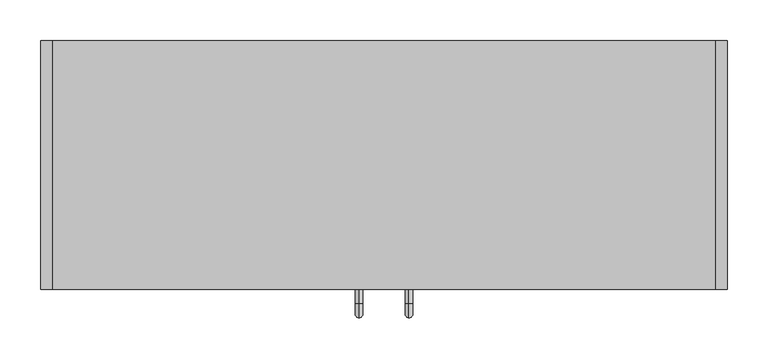
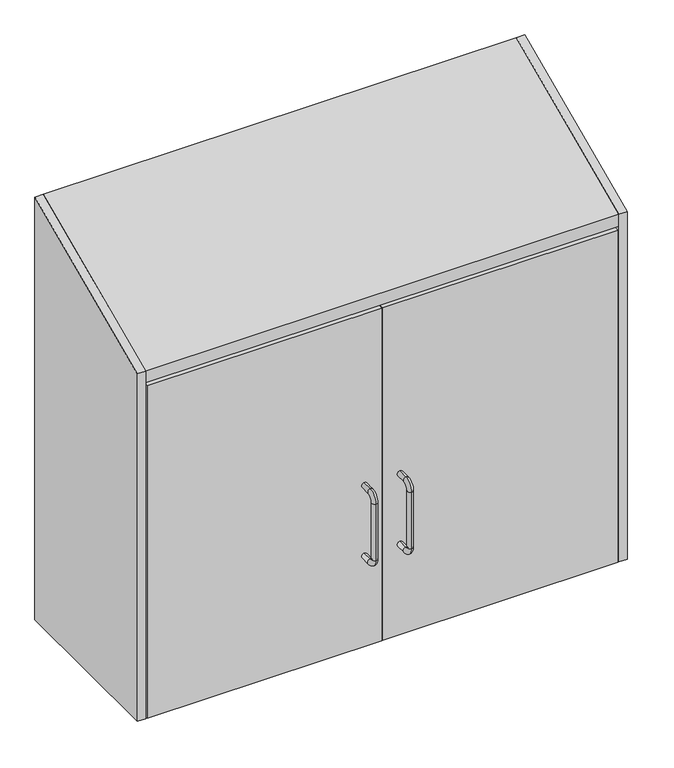
"""IFC4 building model written with IfcOpenShell, lengths in millimetres: furniture geometry."""

from ifc_helpers import new_model, si_unit, point, frame, frame_2d, origin, place, context, project, spatial, polyline, circle_curve, ellipse_curve, trimmed, segment, composite_curve, outline, extrude, source, transform, mapped, element, save
from ifc_brep_helpers import plane_surface, cylinder_surface, revolved_surface, advanced_brep


def furniture_c1abd6e0(model_context):
    return source(origin(), model_context, "Body", "SolidModel", [
        extrude(outline(composite_curve([segment(polyline([(-9.5501446, 1916.5975956), (-3.0000493, 1916.5975956), (-3.0000493, 1915.0928425), (-0.7048181, 1915.0928425)]), True, "CONTINUOUS"), segment(trimmed(circle_curve(frame_2d((-0.7048181, 1914.3880661)), 0.7047764), [point((-0.7048181, 1915.0928425))], [point((-4.17e-05, 1914.3880661))], False, "CARTESIAN"), True, "CONTINUOUS"), segment(polyline([(-4.17e-05, 1914.3880661), (-3.98e-05, 1872.397871), (-2.000049, 1872.397871)]), True, "CONTINUOUS"), segment(trimmed(circle_curve(frame_2d((-1.7912711, 1871.1890984)), 1.2266701), [point((-2.000049, 1872.397871))], [point((-3.0000508, 1871.3978352))], True, "CARTESIAN"), True, "CONTINUOUS"), segment(trimmed(circle_curve(frame_2d((1.2161345, 1870.6697679)), 4.2785863), [point((-3.0000508, 1871.3978352))], [point((-0.9918619, 1867.0049278))], True, "CARTESIAN"), True, "CONTINUOUS"), segment(trimmed(circle_curve(frame_2d((-2.0494915, 1865.2494705)), 2.0494415), [point((-0.9918619, 1867.0049278))], [point((-5e-05, 1865.2494705))], False, "CARTESIAN"), True, "CONTINUOUS"), segment(polyline([(-5e-05, 1865.2494705), (-5e-05, 1850.3480057), (-3.0000486, 1850.3480057), (-3.0000486, 1848.847855), (-9.3214678, 1848.847855)]), True, "CONTINUOUS"), segment(trimmed(circle_curve(frame_2d((-9.3214678, 1849.7764353)), 0.9285803), [point((-9.3214678, 1848.847855))], [point((-10.2500481, 1849.7764353))], False, "CARTESIAN"), True, "CONTINUOUS"), segment(polyline([(-10.2500481, 1849.7764353), (-10.2500481, 1853.1978317), (-8.2500502, 1855.197855), (-4.750053, 1855.197855)]), True, "CONTINUOUS"), segment(trimmed(circle_curve(frame_2d((-4.750053, 1855.9478599)), 0.7500049), [point((-4.750053, 1855.197855))], [point((-4.0000481, 1855.9478601))], True, "CARTESIAN"), True, "CONTINUOUS"), segment(polyline([(-4.0000481, 1855.9478601), (-4.0000488, 1857.948123)]), True, "CONTINUOUS"), segment(trimmed(circle_curve(frame_2d((-4.7497612, 1857.9481228)), 0.7497123), [point((-4.0000488, 1857.948123))], [point((-4.7497612, 1858.6978352))], True, "CARTESIAN"), True, "CONTINUOUS"), segment(polyline([(-4.7497612, 1858.6978352), (-8.0000496, 1858.6978352), (-8.0000496, 1860.6977616), (-4.7500515, 1860.6977616)]), True, "CONTINUOUS"), segment(trimmed(circle_curve(frame_2d((-6.3395379, 1862.9325715)), 2.7424154), [point((-4.7500515, 1860.6977616))], [point((-4.0000513, 1864.363531))], True, "CARTESIAN"), True, "CONTINUOUS"), segment(trimmed(circle_curve(frame_2d((-20.3670715, 1854.3525556)), 19.1859058), [point((-4.0000513, 1864.363531))], [point((-6.6449221, 1867.7615673))], True, "CARTESIAN"), True, "CONTINUOUS"), segment(trimmed(circle_curve(frame_2d((7.5122438, 1881.5956683)), 19.7941328), [point((-6.6449221, 1867.7615673))], [point((-7.864877, 1869.131646))], False, "CARTESIAN"), True, "CONTINUOUS"), segment(polyline([(-7.864877, 1869.131646), (-11.0905827, 1873.1112655)]), True, "CONTINUOUS"), segment(trimmed(circle_curve(frame_2d((-8.7599469, 1875.0003771)), 3.000101), [point((-11.0905827, 1873.1112655))], [point((-11.7600479, 1875.0003771))], False, "CARTESIAN"), True, "CONTINUOUS"), segment(polyline([(-11.7600479, 1875.0003771), (-11.7600479, 1881.644514)]), True, "CONTINUOUS"), segment(trimmed(circle_curve(frame_2d((-10.5537986, 1881.644514)), 1.2062492), [point((-11.7600479, 1881.644514))], [point((-9.3475494, 1881.644514))], False, "CARTESIAN"), True, "CONTINUOUS"), segment(polyline([(-9.3475494, 1881.644514), (-9.3475494, 1879.2618416)]), True, "CONTINUOUS"), segment(trimmed(circle_curve(frame_2d((-5.6738416, 1879.2864646)), 3.6737903), [point((-9.3475494, 1879.2618416))], [point((-2.0000514, 1879.2864646))], True, "CARTESIAN"), True, "CONTINUOUS"), segment(polyline([(-2.0000514, 1879.2864646), (-2.0000514, 1894.5858586)]), True, "CONTINUOUS"), segment(trimmed(circle_curve(frame_2d((-4.2278457, 1894.5858586)), 2.2277943), [point((-2.0000514, 1894.5858586))], [point((-2.5549945, 1896.0571289))], True, "CARTESIAN"), True, "CONTINUOUS"), segment(trimmed(circle_curve(frame_2d((-4.2278451, 1894.5858576)), 2.2277945), [point((-2.5549945, 1896.0571289))], [point((-3.2940588, 1896.6085073))], True, "CARTESIAN"), True, "CONTINUOUS"), segment(trimmed(circle_curve(frame_2d((-2.7842404, 1897.7128113)), 1.2163068), [point((-3.2940588, 1896.6085073))], [point((-4.0000431, 1897.7478252))], False, "CARTESIAN"), True, "CONTINUOUS"), segment(polyline([(-4.0000431, 1897.7478252), (-4.0000428, 1909.2481411)]), True, "CONTINUOUS"), segment(trimmed(circle_curve(frame_2d((-4.9997396, 1909.248141)), 0.9996968), [point((-4.0000428, 1909.2481411))], [point((-4.9997396, 1910.2478379))], True, "CARTESIAN"), True, "CONTINUOUS"), segment(polyline([(-4.9997396, 1910.2478379), (-8.2500476, 1910.2478379), (-10.2500485, 1912.2478611), (-10.2500489, 1915.8478352), (-9.5501446, 1916.5975956)]), True, "CONTINUOUS")], self_intersect=False)), frame((19.304, 0.0, 0.0), z_axis=(1.0, 0.0, 0.0), x_axis=(0.0, 1.0, 0.0)), (0.0, 0.0, 1.0), 774.192),
        extrude(outline(polyline([(-304.8, 1422.4), (-304.8, 2053.1099452), (0.0, 2189.2531194), (0.0, 1422.4), (-304.8, 1422.4)])), frame((812.8, 0.0, 0.0), z_axis=(1.0, 0.0, 0.0), x_axis=(0.0, 1.0, 0.0)), (0.0, 0.0, 1.0), 13.97),
        extrude(outline(polyline([(-304.8, 1422.4), (-304.8, 2053.1099452), (0.0, 2189.2531194), (0.0, 1422.4), (-304.8, 1422.4)])), frame((-13.97, 0.0, 0.0), z_axis=(1.0, 0.0, 0.0), x_axis=(0.0, 1.0, 0.0)), (0.0, 0.0, 1.0), 13.97),
        extrude(outline(polyline([(-304.6500092, 2032.0), (-304.6500092, 2053.1769407), (0.0, 2189.2665185), (0.0, 2169.6484062), (-285.1864694, 2032.0), (-304.6500092, 2032.0)])), frame((0.0, 0.0, 0.0), z_axis=(1.0, 0.0, 0.0), x_axis=(0.0, 1.0, 0.0)), (0.0, 0.0, 1.0), 812.8),
        advanced_brep(
        [(790.1672031, -15.7352068, 1894.3877238), (790.1672031, -8.4982509, 1894.3877238), (784.4499136, -8.4982509, 1894.3877238), (784.4499136, -23.4902086, 1894.3877238), (793.1428423, -23.4902086, 1894.3877238), (793.1428423, -21.5752277, 1894.3877238), (790.160055, -8.2962203, 1880.3877063), (784.4570616, -8.2962203, 1880.3877063), (784.4499136, -23.4902086, 1880.3877063), (784.4499136, -15.5720146, 1880.3877063), (790.1672031, -15.5720146, 1880.3877063), (790.1672031, -15.7352068, 1880.3877063), (793.1428423, -21.5752277, 1880.3877063), (793.1428423, -23.4902086, 1880.3877063), (784.4499136, -8.4982509, 1881.5343477), (784.4499136, -9.5295752, 1887.3877151), (784.4499136, -14.3245254, 1887.3877151), (790.1672031, -8.4982509, 1881.5343477), (790.1672031, -14.3245254, 1887.3877151), (790.1672031, -9.5295752, 1887.3877151)],
        [
            (0, 1),
            (1, 2, circle_curve(frame((787.3085583, -8.4982509, 1894.3877238), z_axis=(0.0, 0.0, 1.0), x_axis=(-1.0, 0.0, 0.0)), 2.8586447)),
            (2, 3),
            (3, 4),
            (4, 5),
            (5, 0),
            (6, 7),
            (7, 6, circle_curve(frame((787.3085583, -8.4982509, 1880.3877063), z_axis=(0.0, 0.0, -1.0), x_axis=(-1.0, 0.0, 0.0)), 2.8586447)),
            (8, 9),
            (9, 10),
            (10, 11),
            (11, 12),
            (12, 13),
            (13, 8),
            (5, 12),
            (11, 0),
            (2, 14),
            (14, 15),
            (15, 16),
            (16, 9),
            (8, 3),
            (1, 17),
            (17, 6, ellipse_curve(frame((787.3085583, -8.4982509, 1881.5343477), z_axis=(0.0, 0.9848302513804711, 0.17352053470952136), x_axis=(0.0, -0.17352053470952136, 0.984830251380471)), 16.4743886, 2.8586447)),
            (7, 14, ellipse_curve(frame((787.3085583, -8.4982509, 1881.5343477), z_axis=(0.0, 0.9848302513804711, 0.17352053470952136), x_axis=(0.0, -0.17352053470952136, 0.984830251380471)), 16.4743886, 2.8586447)),
            (10, 18),
            (18, 19),
            (19, 17),
            (4, 13),
            (18, 16),
            (15, 19),
        ],
        [
            plane_surface(frame((793.0500427, -21.3930983, 1894.3877238), z_axis=(0.0, 0.0, 1.0), x_axis=(0.45399049973954764, -0.8910065241883675, 0.0))),
            plane_surface(frame((793.0500427, -21.3930983, 1880.3877063), z_axis=(0.0, 0.0, -1.0), x_axis=(-0.45399049973954764, 0.8910065241883675, 0.0))),
            plane_surface(frame((790.1672031, -15.7352068, 1894.3877238), z_axis=(0.8910065241883675, 0.45399049973954764, 0.0), x_axis=(0.0, 0.0, -1.0))),
            plane_surface(frame((784.4499136, -23.4902086, 1894.3877238), z_axis=(-1.0, 0.0, 0.0), x_axis=(0.0, 0.0, -1.0))),
            cylinder_surface(frame((787.3085583, -8.4982509, 1880.3877063), z_axis=(0.0, 0.0, 1.0), x_axis=(-1.0, 0.0, 0.0)), 2.8586447),
            plane_surface(frame((790.1672031, -8.4982509, 1894.3877238), z_axis=(1.0, 0.0, 0.0), x_axis=(0.0, 0.0, -1.0))),
            plane_surface(frame((793.1428423, -21.5752277, 1894.3877238), z_axis=(1.0, 0.0, 0.0), x_axis=(0.0, 0.0, -1.0))),
            plane_surface(frame((793.1428423, -23.4902086, 1894.3877238), z_axis=(0.0, -1.0, 0.0), x_axis=(0.0, 0.0, -1.0))),
            plane_surface(frame((731.3727603, -9.5295752, 1887.3877151), z_axis=(0.0, 0.0, -1.0), x_axis=(1.0, 0.0, 0.0))),
            plane_surface(frame((731.3727603, -14.3245254, 1887.3877151), z_axis=(0.0, 0.9844886613913678, -0.1754482134187542), x_axis=(1.0, 0.0, 0.0))),
            plane_surface(frame((731.3727603, -8.2962203, 1880.3877063), z_axis=(0.0, -0.9848302513804711, -0.17352053470952136), x_axis=(1.0, 0.0, 0.0))),
        ],
        [
            (0, [[1, 2, 3, 4, 5, 6]]),
            (1, [[7, 8]]),
            (1, [[9, 10, 11, 12, 13, 14]]),
            (2, [[15, -12, 16, -6]]),
            (3, [[17, 18, 19, 20, -9, 21, -3]]),
            (4, [[22, 23, -8, 24, -17, -2]]),
            (5, [[-16, -11, 25, 26, 27, -22, -1]]),
            (6, [[28, -13, -15, -5]]),
            (7, [[-21, -14, -28, -4]]),
            (8, [[-26, 29, -19, 30]]),
            (9, [[-25, -10, -20, -29]]),
            (10, [[-18, -24, -7, -23, -27, -30]]),
        ],
    ),
        extrude(outline(composite_curve([segment(trimmed(circle_curve(frame_2d((1910.1876315, 789.9999564)), 1.499963), [point((1910.1876315, 791.4999193))], [point((1908.6876686, 789.9999564))], True, "CARTESIAN"), True, "CONTINUOUS"), segment(trimmed(circle_curve(frame_2d((1906.2070921, 789.9999564)), 2.4805765), [point((1908.6876686, 789.9999564))], [point((1907.1363324, 787.7000059))], False, "CARTESIAN"), True, "CONTINUOUS"), segment(polyline([(1907.1363324, 787.7000059), (1874.7507613, 787.7000059)]), True, "CONTINUOUS"), segment(trimmed(circle_curve(frame_2d((1874.7507613, 789.3153186)), 1.6153127), [point((1874.7507613, 787.7000059))], [point((1873.2877399, 790.0000109))], False, "CARTESIAN"), True, "CONTINUOUS"), segment(trimmed(circle_curve(frame_2d((1871.7877225, 789.9999019)), 1.5000175), [point((1873.2877399, 790.0000109))], [point((1871.7877225, 791.4999193))], True, "CARTESIAN"), True, "CONTINUOUS"), segment(polyline([(1871.7877225, 791.4999193), (1843.3876755, 791.4999193), (1843.3876755, 793.6000818), (1873.8877397, 793.6000818)]), True, "CONTINUOUS"), segment(trimmed(circle_curve(frame_2d((1873.8877397, 791.9609414)), 1.6391404), [point((1873.8877397, 793.6000818))], [point((1875.3877208, 791.3000042))], False, "CARTESIAN"), True, "CONTINUOUS"), segment(trimmed(circle_curve(frame_2d((1876.4289459, 790.8412088)), 1.1378237), [point((1875.3877208, 791.3000042))], [point((1876.8876656, 789.7999504))], True, "CARTESIAN"), True, "CONTINUOUS"), segment(polyline([(1876.8876656, 789.7999504), (1905.0876884, 789.7999504)]), True, "CONTINUOUS"), segment(trimmed(circle_curve(frame_2d((1905.0876884, 791.1471498)), 1.3471994), [point((1905.0876884, 789.7999504))], [point((1906.3878807, 791.4999193))], True, "CARTESIAN"), True, "CONTINUOUS"), segment(trimmed(circle_curve(frame_2d((1907.9960786, 791.9362572)), 1.6663407), [point((1906.3878807, 791.4999193))], [point((1908.0876144, 793.6000818))], False, "CARTESIAN"), True, "CONTINUOUS"), segment(polyline([(1908.0876144, 793.6000818), (1923.5876857, 793.6000818), (1923.5876857, 791.4999193), (1910.1876315, 791.4999193)]), True, "CONTINUOUS")], self_intersect=False)), frame((0.0, -23.4902086, 0.0), z_axis=(0.0, 1.0, 0.0), x_axis=(0.0, 0.0, 1.0)), (0.0, 0.0, 1.0), 3.1878868),
        extrude(outline(composite_curve([segment(polyline([(1926.6355011, 793.6000818), (1937.8354352, 793.6000818), (1937.8354352, 783.8997675)]), True, "CONTINUOUS"), segment(trimmed(circle_curve(frame_2d((1922.835731, 783.8997675)), 14.9997042), [point((1937.8354352, 783.8997675))], [point((1922.835731, 768.9000633))], False, "CARTESIAN"), True, "CONTINUOUS"), segment(polyline([(1922.835731, 768.9000633), (1844.1315254, 768.9000633)]), True, "CONTINUOUS"), segment(trimmed(circle_curve(frame_2d((1844.1315254, 783.9000198)), 14.9999565), [point((1844.1315254, 768.9000633))], [point((1829.1315689, 783.9000198))], False, "CARTESIAN"), True, "CONTINUOUS"), segment(polyline([(1829.1315689, 783.9000198), (1829.1315689, 793.6000818), (1839.9675572, 793.6000818)]), True, "CONTINUOUS"), segment(trimmed(circle_curve(frame_2d((1851.8314551, 792.5856737)), 11.9071868), [point((1839.9675572, 793.6000818))], [point((1851.8314551, 780.6784868))], True, "CARTESIAN"), True, "CONTINUOUS"), segment(polyline([(1851.8314551, 780.6784868), (1915.1355853, 780.6784868)]), True, "CONTINUOUS"), segment(trimmed(circle_curve(frame_2d((1915.1355853, 792.2566117)), 11.5781249), [point((1915.1355853, 780.6784868))], [point((1926.6355011, 793.6000818))], True, "CARTESIAN"), True, "CONTINUOUS")], self_intersect=False)), frame((0.0, -23.4902086, 0.0), z_axis=(0.0, 1.0, 0.0), x_axis=(0.0, 0.0, 1.0)), (0.0, 0.0, 1.0), 2.0971104),
        extrude(outline(composite_curve([segment(polyline([(1839.9675572, 793.6000818), (1926.6355011, 793.6000818)]), True, "CONTINUOUS"), segment(trimmed(circle_curve(frame_2d((1915.1355853, 792.2566117)), 11.5781249), [point((1926.6355011, 793.6000818))], [point((1915.1355853, 780.6784868))], False, "CARTESIAN"), True, "CONTINUOUS"), segment(polyline([(1915.1355853, 780.6784868), (1851.8314551, 780.6784868)]), True, "CONTINUOUS"), segment(trimmed(circle_curve(frame_2d((1851.8314551, 792.5856737)), 11.9071868), [point((1851.8314551, 780.6784868))], [point((1839.9675572, 793.6000818))], False, "CARTESIAN"), True, "CONTINUOUS")], self_intersect=False)), frame((0.0, -85.5646173, 0.0), z_axis=(0.0, 1.0, 0.0), x_axis=(0.0, 0.0, 1.0)), (0.0, 0.0, 1.0), 62.0744087),
        advanced_brep(
        [(22.6327969, -15.7352068, 1894.3877238), (19.6571577, -21.5752277, 1894.3877238), (19.6571577, -23.4902086, 1894.3877238), (28.3500864, -23.4902086, 1894.3877238), (28.3500864, -8.4982509, 1894.3877238), (22.6327969, -8.4982509, 1894.3877238), (28.3500864, -23.4902086, 1880.3877063), (19.6571577, -23.4902086, 1880.3877063), (19.6571577, -21.5752277, 1880.3877063), (22.6327969, -15.7352068, 1880.3877063), (22.6327969, -15.5720146, 1880.3877063), (28.3500864, -15.5720146, 1880.3877063), (22.639945, -8.2962203, 1880.3877063), (28.3429384, -8.2962203, 1880.3877063), (28.3500864, -14.3245254, 1887.3877151), (28.3500864, -9.5295752, 1887.3877151), (28.3500864, -8.4982509, 1881.5343477), (22.6327969, -8.4982509, 1881.5343477), (22.6327969, -9.5295752, 1887.3877151), (22.6327969, -14.3245254, 1887.3877151)],
        [
            (0, 1),
            (1, 2),
            (2, 3),
            (3, 4),
            (4, 5, circle_curve(frame((25.4914417, -8.4982509, 1894.3877238), z_axis=(0.0, 0.0, 1.0), x_axis=(1.0, 0.0, 0.0)), 2.8586447)),
            (5, 0),
            (6, 7),
            (7, 8),
            (8, 9),
            (9, 10),
            (10, 11),
            (11, 6),
            (12, 13, circle_curve(frame((25.4914417, -8.4982509, 1880.3877063), z_axis=(0.0, 0.0, -1.0), x_axis=(1.0, 0.0, 0.0)), 2.8586447)),
            (13, 12),
            (0, 9),
            (8, 1),
            (3, 6),
            (11, 14),
            (14, 15),
            (15, 16),
            (16, 4),
            (16, 13, ellipse_curve(frame((25.4914417, -8.4982509, 1881.5343477), z_axis=(0.0, 0.9848302513804711, 0.17352053470952136), x_axis=(0.0, -0.17352053470952136, 0.984830251380471)), 16.4743886, 2.8586447)),
            (12, 17, ellipse_curve(frame((25.4914417, -8.4982509, 1881.5343477), z_axis=(0.0, 0.9848302513804711, 0.17352053470952136), x_axis=(0.0, -0.17352053470952136, 0.984830251380471)), 16.4743886, 2.8586447)),
            (17, 5),
            (17, 18),
            (18, 19),
            (19, 10),
            (7, 2),
            (18, 15),
            (14, 19),
        ],
        [
            plane_surface(frame((19.7499573, -21.3930983, 1894.3877238), z_axis=(0.0, 0.0, 1.0), x_axis=(-0.45399049973954764, -0.8910065241883675, 0.0))),
            plane_surface(frame((19.7499573, -21.3930983, 1880.3877063), z_axis=(0.0, 0.0, -1.0), x_axis=(0.45399049973954764, 0.8910065241883675, 0.0))),
            plane_surface(frame((22.6327969, -15.7352068, 1894.3877238), z_axis=(-0.8910065241883675, 0.45399049973954764, 0.0), x_axis=(0.0, 0.0, -1.0))),
            plane_surface(frame((28.3500864, -23.4902086, 1894.3877238), z_axis=(1.0, 0.0, 0.0), x_axis=(0.0, 0.0, -1.0))),
            cylinder_surface(frame((25.4914417, -8.4982509, 1880.3877063), z_axis=(0.0, 0.0, 1.0), x_axis=(1.0, 0.0, 0.0)), 2.8586447),
            plane_surface(frame((22.6327969, -8.4982509, 1894.3877238), z_axis=(-1.0, 0.0, 0.0), x_axis=(0.0, 0.0, -1.0))),
            plane_surface(frame((19.6571577, -21.5752277, 1894.3877238), z_axis=(-1.0, 0.0, 0.0), x_axis=(0.0, 0.0, -1.0))),
            plane_surface(frame((19.6571577, -23.4902086, 1894.3877238), z_axis=(0.0, -1.0, 0.0), x_axis=(0.0, 0.0, -1.0))),
            plane_surface(frame((81.4272397, -9.5295752, 1887.3877151), z_axis=(0.0, 0.0, -1.0), x_axis=(-1.0, 0.0, 0.0))),
            plane_surface(frame((81.4272397, -14.3245254, 1887.3877151), z_axis=(0.0, 0.9844886613913678, -0.1754482134187542), x_axis=(-1.0, 0.0, 0.0))),
            plane_surface(frame((81.4272397, -8.2962203, 1880.3877063), z_axis=(0.0, -0.9848302513804711, -0.17352053470952136), x_axis=(-1.0, 0.0, 0.0))),
        ],
        [
            (0, [[1, 2, 3, 4, 5, 6]]),
            (1, [[7, 8, 9, 10, 11, 12]]),
            (1, [[13, 14]]),
            (2, [[-1, 15, -9, 16]]),
            (3, [[-4, 17, -12, 18, 19, 20, 21]]),
            (4, [[-5, -21, 22, -13, 23, 24]]),
            (5, [[-6, -24, 25, 26, 27, -10, -15]]),
            (6, [[-2, -16, -8, 28]]),
            (7, [[-3, -28, -7, -17]]),
            (8, [[29, -19, 30, -26]]),
            (9, [[-30, -18, -11, -27]]),
            (10, [[-29, -25, -23, -14, -22, -20]]),
        ],
    ),
        extrude(outline(composite_curve([segment(polyline([(1910.1876315, 21.3000807), (1923.5876857, 21.3000807), (1923.5876857, 19.1999182), (1908.0876144, 19.1999182)]), True, "CONTINUOUS"), segment(trimmed(circle_curve(frame_2d((1907.9960786, 20.8637428)), 1.6663407), [point((1908.0876144, 19.1999182))], [point((1906.3878807, 21.3000807))], False, "CARTESIAN"), True, "CONTINUOUS"), segment(trimmed(circle_curve(frame_2d((1905.0876884, 21.6528502)), 1.3471994), [point((1906.3878807, 21.3000807))], [point((1905.0876884, 23.0000496))], True, "CARTESIAN"), True, "CONTINUOUS"), segment(polyline([(1905.0876884, 23.0000496), (1876.8876656, 23.0000496)]), True, "CONTINUOUS"), segment(trimmed(circle_curve(frame_2d((1876.4289459, 21.9587912)), 1.1378237), [point((1876.8876656, 23.0000496))], [point((1875.3877208, 21.4999958))], True, "CARTESIAN"), True, "CONTINUOUS"), segment(trimmed(circle_curve(frame_2d((1873.8877397, 20.8390586)), 1.6391404), [point((1875.3877208, 21.4999958))], [point((1873.8877397, 19.1999182))], False, "CARTESIAN"), True, "CONTINUOUS"), segment(polyline([(1873.8877397, 19.1999182), (1843.3876755, 19.1999182), (1843.3876755, 21.3000807), (1871.7877225, 21.3000807)]), True, "CONTINUOUS"), segment(trimmed(circle_curve(frame_2d((1871.7877225, 22.8000981)), 1.5000175), [point((1871.7877225, 21.3000807))], [point((1873.2877399, 22.7999891))], True, "CARTESIAN"), True, "CONTINUOUS"), segment(trimmed(circle_curve(frame_2d((1874.7507613, 23.4846814)), 1.6153127), [point((1873.2877399, 22.7999891))], [point((1874.7507613, 25.0999941))], False, "CARTESIAN"), True, "CONTINUOUS"), segment(polyline([(1874.7507613, 25.0999941), (1907.1363324, 25.0999941)]), True, "CONTINUOUS"), segment(trimmed(circle_curve(frame_2d((1906.2070921, 22.8000436)), 2.4805765), [point((1907.1363324, 25.0999941))], [point((1908.6876686, 22.8000436))], False, "CARTESIAN"), True, "CONTINUOUS"), segment(trimmed(circle_curve(frame_2d((1910.1876315, 22.8000436)), 1.499963), [point((1908.6876686, 22.8000436))], [point((1910.1876315, 21.3000807))], True, "CARTESIAN"), True, "CONTINUOUS")], self_intersect=False)), frame((0.0, -23.4902086, 0.0), z_axis=(0.0, 1.0, 0.0), x_axis=(0.0, 0.0, 1.0)), (0.0, 0.0, 1.0), 3.1878868),
        extrude(outline(composite_curve([segment(trimmed(circle_curve(frame_2d((1915.1355853, 20.5433883)), 11.5781249), [point((1926.6355011, 19.1999182))], [point((1915.1355853, 32.1215132))], True, "CARTESIAN"), True, "CONTINUOUS"), segment(polyline([(1915.1355853, 32.1215132), (1851.8314551, 32.1215132)]), True, "CONTINUOUS"), segment(trimmed(circle_curve(frame_2d((1851.8314551, 20.2143263)), 11.9071868), [point((1851.8314551, 32.1215132))], [point((1839.9675572, 19.1999182))], True, "CARTESIAN"), True, "CONTINUOUS"), segment(polyline([(1839.9675572, 19.1999182), (1829.1315689, 19.1999182), (1829.1315689, 28.8999802)]), True, "CONTINUOUS"), segment(trimmed(circle_curve(frame_2d((1844.1315254, 28.8999802)), 14.9999565), [point((1829.1315689, 28.8999802))], [point((1844.1315254, 43.8999367))], False, "CARTESIAN"), True, "CONTINUOUS"), segment(polyline([(1844.1315254, 43.8999367), (1922.835731, 43.8999367)]), True, "CONTINUOUS"), segment(trimmed(circle_curve(frame_2d((1922.835731, 28.9002325)), 14.9997042), [point((1922.835731, 43.8999367))], [point((1937.8354352, 28.9002325))], False, "CARTESIAN"), True, "CONTINUOUS"), segment(polyline([(1937.8354352, 28.9002325), (1937.8354352, 19.1999182), (1926.6355011, 19.1999182)]), True, "CONTINUOUS")], self_intersect=False)), frame((0.0, -23.4902086, 0.0), z_axis=(0.0, 1.0, 0.0), x_axis=(0.0, 0.0, 1.0)), (0.0, 0.0, 1.0), 2.0971104),
        extrude(outline(composite_curve([segment(trimmed(circle_curve(frame_2d((1851.8314551, 20.2143263)), 11.9071868), [point((1839.9675572, 19.1999182))], [point((1851.8314551, 32.1215132))], False, "CARTESIAN"), True, "CONTINUOUS"), segment(polyline([(1851.8314551, 32.1215132), (1915.1355853, 32.1215132)]), True, "CONTINUOUS"), segment(trimmed(circle_curve(frame_2d((1915.1355853, 20.5433883)), 11.5781249), [point((1915.1355853, 32.1215132))], [point((1926.6355011, 19.1999182))], False, "CARTESIAN"), True, "CONTINUOUS"), segment(polyline([(1926.6355011, 19.1999182), (1839.9675572, 19.1999182)]), True, "CONTINUOUS")], self_intersect=False)), frame((0.0, -85.5646173, 0.0), z_axis=(0.0, 1.0, 0.0), x_axis=(0.0, 0.0, 1.0)), (0.0, 0.0, 1.0), 62.0744087),
        extrude(outline(polyline([(810.2998619, -285.6000092), (19.1999182, -285.6000092), (19.1999182, -21.29979), (810.2998619, -21.29979), (810.2998619, -285.6000092)])), frame((0.0, 0.0, 1487.5000269), z_axis=(0.0, 0.0, 1.0), x_axis=(1.0, 0.0, 0.0)), (0.0, 0.0, 1.0), 19.4000271),
        advanced_brep(
        [(375.8301072, -304.8, 1709.8891262), (375.8301072, -304.8, 1719.5421103), (375.8301072, -322.2719955, 1719.5421103), (375.8301072, -322.2719955, 1709.8891262), (375.8301072, -330.1455035, 1702.0156182), (375.8301072, -339.7984876, 1702.0156182), (375.8301072, -339.7984876, 1599.3576822), (375.8301072, -330.1455035, 1599.3576822), (375.8301072, -322.2719955, 1591.4841743), (375.8301072, -322.2719955, 1581.8311902), (375.8301072, -304.8, 1591.4841743), (375.8301072, -304.8, 1581.8311902)],
        [
            (0, 1, circle_curve(frame((375.8301072, -304.8, 1714.7156182), z_axis=(0.0, 1.0, 0.0), x_axis=(0.0, 0.0, 1.0)), 4.8264921)),
            (1, 0, circle_curve(frame((375.8301072, -304.8, 1714.7156182), z_axis=(0.0, 1.0, 0.0), x_axis=(0.0, 0.0, 1.0)), 4.8264921)),
            (1, 2),
            (2, 3, circle_curve(frame((375.8301072, -322.2719955, 1714.7156182), z_axis=(0.0, 1.0, 0.0), x_axis=(0.0, 0.0, 1.0)), 4.8264921)),
            (3, 0),
            (3, 2, circle_curve(frame((375.8301072, -322.2719955, 1714.7156182), z_axis=(0.0, 1.0, 0.0), x_axis=(0.0, 0.0, 1.0)), 4.8264921)),
            (4, 3, circle_curve(frame((375.8301072, -322.2719955, 1702.0156182), z_axis=(-1.0, 0.0, 0.0), x_axis=(0.0, 0.0, 1.0)), 7.8735079)),
            (2, 5, circle_curve(frame((375.8301072, -322.2719955, 1702.0156182), z_axis=(1.0, 0.0, 0.0), x_axis=(0.0, 0.0, 1.0)), 17.5264921)),
            (5, 4, circle_curve(frame((375.8301072, -334.9719955, 1702.0156182), z_axis=(0.0, 0.0, 1.0), x_axis=(0.0, -1.0, 0.0)), 4.8264921)),
            (4, 5, circle_curve(frame((375.8301072, -334.9719955, 1702.0156182), z_axis=(0.0, 0.0, 1.0), x_axis=(0.0, -1.0, 0.0)), 4.8264921)),
            (5, 6),
            (6, 7, circle_curve(frame((375.8301072, -334.9719955, 1599.3576822), z_axis=(0.0, 0.0, 1.0), x_axis=(0.0, -1.0, 0.0)), 4.8264921)),
            (7, 4),
            (7, 6, circle_curve(frame((375.8301072, -334.9719955, 1599.3576822), z_axis=(0.0, 0.0, 1.0), x_axis=(0.0, -1.0, 0.0)), 4.8264921)),
            (8, 7, circle_curve(frame((375.8301072, -322.2719955, 1599.3576822), z_axis=(-1.0, 0.0, 0.0), x_axis=(0.0, -1.0, 0.0)), 7.8735079)),
            (6, 9, circle_curve(frame((375.8301072, -322.2719955, 1599.3576822), z_axis=(1.0, 0.0, 0.0), x_axis=(0.0, -1.0, 0.0)), 17.5264921)),
            (9, 8, circle_curve(frame((375.8301072, -322.2719955, 1586.6576822), z_axis=(0.0, -1.0, 0.0), x_axis=(0.0, 0.0, -1.0)), 4.8264921)),
            (8, 9, circle_curve(frame((375.8301072, -322.2719955, 1586.6576822), z_axis=(0.0, -1.0, 0.0), x_axis=(0.0, 0.0, -1.0)), 4.8264921)),
            (10, 11, circle_curve(frame((375.8301072, -304.8, 1586.6576822), z_axis=(0.0, 1.0, 0.0), x_axis=(0.0, 0.0, -1.0)), 4.8264921)),
            (11, 10, circle_curve(frame((375.8301072, -304.8, 1586.6576822), z_axis=(0.0, 1.0, 0.0), x_axis=(0.0, 0.0, -1.0)), 4.8264921)),
            (9, 11),
            (10, 8),
        ],
        [
            plane_surface(frame((375.92, -304.8, 1714.7156182), z_axis=(0.0, 1.0, 0.0), x_axis=(-1.0, 0.0, 0.0))),
            cylinder_surface(frame((375.8301072, -304.8, 1714.7156182), z_axis=(0.0, 1.0, 0.0), x_axis=(0.0, 0.0, 1.0)), 4.8264921),
            revolved_surface(trimmed(ellipse_curve(frame((375.8301072, -322.2719955, 1714.7156182), z_axis=(0.0, 1.0, 0.0), x_axis=(0.0, 0.0, 1.0)), 4.8264921, 4.8264921), [point((375.8301072, -322.2719955, 1719.5421103))], [point((375.8301072, -322.2719955, 1709.8891262))], True, "CARTESIAN"), (375.92, -322.2719955, 1702.0156182), (1.0, 0.0, 0.0)),
            revolved_surface(trimmed(ellipse_curve(frame((375.8301072, -322.2719955, 1714.7156182), z_axis=(0.0, 1.0, 0.0), x_axis=(0.0, 0.0, 1.0)), 4.8264921, 4.8264921), [point((375.8301072, -322.2719955, 1709.8891262))], [point((375.8301072, -322.2719955, 1719.5421103))], True, "CARTESIAN"), (375.92, -322.2719955, 1702.0156182), (1.0, 0.0, 0.0)),
            cylinder_surface(frame((375.8301072, -334.9719955, 1702.0156182), z_axis=(0.0, 0.0, 1.0), x_axis=(0.0, -1.0, 0.0)), 4.8264921),
            revolved_surface(trimmed(ellipse_curve(frame((375.8301072, -334.9719955, 1599.3576822), z_axis=(0.0, 0.0, 1.0), x_axis=(0.0, -1.0, 0.0)), 4.8264921, 4.8264921), [point((375.8301072, -339.7984876, 1599.3576822))], [point((375.8301072, -330.1455035, 1599.3576822))], True, "CARTESIAN"), (375.92, -322.2719955, 1599.3576822), (1.0, 0.0, 0.0)),
            revolved_surface(trimmed(ellipse_curve(frame((375.8301072, -334.9719955, 1599.3576822), z_axis=(0.0, 0.0, 1.0), x_axis=(0.0, -1.0, 0.0)), 4.8264921, 4.8264921), [point((375.8301072, -330.1455035, 1599.3576822))], [point((375.8301072, -339.7984876, 1599.3576822))], True, "CARTESIAN"), (375.92, -322.2719955, 1599.3576822), (1.0, 0.0, 0.0)),
            plane_surface(frame((375.92, -304.8, 1586.6576822), z_axis=(0.0, 1.0, 0.0), x_axis=(-1.0, 0.0, 0.0))),
            cylinder_surface(frame((375.8301072, -322.2719955, 1586.6576822), z_axis=(0.0, -1.0, 0.0), x_axis=(0.0, 0.0, -1.0)), 4.8264921),
        ],
        [
            (0, [[1, 2]]),
            (1, [[-2, 3, 4, 5]]),
            (1, [[-1, -5, 6, -3]]),
            (2, [[7, -4, 8, 9]]),
            (3, [[-8, -6, -7, 10]]),
            (4, [[-9, 11, 12, 13]]),
            (4, [[-10, -13, 14, -11]]),
            (5, [[15, -12, 16, 17]]),
            (6, [[-16, -14, -15, 18]]),
            (7, [[19, 20]]),
            (8, [[-17, 21, -19, 22]]),
            (8, [[-18, -22, -20, -21]]),
        ],
    ),
        advanced_brep(
        [(436.9698928, -304.8, 1719.5027067), (436.9698928, -304.8, 1709.8497226), (436.9698928, -322.2719955, 1719.5027067), (436.9698928, -322.2719955, 1709.8497226), (436.9698928, -330.1060999, 1702.0156182), (436.9698928, -339.759084, 1702.0156182), (436.9698928, -339.759084, 1599.3576822), (436.9698928, -330.1060999, 1599.3576822), (436.9698928, -322.2719955, 1591.5235779), (436.9698928, -322.2719955, 1581.8705938), (436.9698928, -304.8, 1581.8705938), (436.9698928, -304.8, 1591.5235779)],
        [
            (0, 1, circle_curve(frame((436.9698928, -304.8, 1714.6762146), z_axis=(0.0, 1.0, 0.0), x_axis=(0.0, 0.0, -1.0)), 4.8264921)),
            (1, 0, circle_curve(frame((436.9698928, -304.8, 1714.6762146), z_axis=(0.0, 1.0, 0.0), x_axis=(0.0, 0.0, -1.0)), 4.8264921)),
            (0, 2),
            (2, 3, circle_curve(frame((436.9698928, -322.2719955, 1714.6762146), z_axis=(0.0, 1.0, 0.0), x_axis=(0.0, 0.0, -1.0)), 4.8264921)),
            (3, 1),
            (3, 2, circle_curve(frame((436.9698928, -322.2719955, 1714.6762146), z_axis=(0.0, 1.0, 0.0), x_axis=(0.0, 0.0, -1.0)), 4.8264921)),
            (4, 3, circle_curve(frame((436.9698928, -322.2719955, 1702.0156182), z_axis=(-1.0, 0.0, 0.0), x_axis=(0.0, 0.0, 1.0)), 7.8341044)),
            (2, 5, circle_curve(frame((436.9698928, -322.2719955, 1702.0156182), z_axis=(1.0, 0.0, 0.0), x_axis=(0.0, 0.0, 1.0)), 17.4870885)),
            (5, 4, circle_curve(frame((436.9698928, -334.932592, 1702.0156182), z_axis=(0.0, 0.0, 1.0), x_axis=(0.0, 1.0, 0.0)), 4.8264921)),
            (4, 5, circle_curve(frame((436.9698928, -334.932592, 1702.0156182), z_axis=(0.0, 0.0, 1.0), x_axis=(0.0, 1.0, 0.0)), 4.8264921)),
            (5, 6),
            (6, 7, circle_curve(frame((436.9698928, -334.932592, 1599.3576822), z_axis=(0.0, 0.0, 1.0), x_axis=(0.0, 1.0, 0.0)), 4.8264921)),
            (7, 4),
            (7, 6, circle_curve(frame((436.9698928, -334.932592, 1599.3576822), z_axis=(0.0, 0.0, 1.0), x_axis=(0.0, 1.0, 0.0)), 4.8264921)),
            (8, 7, circle_curve(frame((436.9698928, -322.2719955, 1599.3576822), z_axis=(-1.0, 0.0, 0.0), x_axis=(0.0, -1.0, 0.0)), 7.8341044)),
            (6, 9, circle_curve(frame((436.9698928, -322.2719955, 1599.3576822), z_axis=(1.0, 0.0, 0.0), x_axis=(0.0, -1.0, 0.0)), 17.4870885)),
            (9, 8, circle_curve(frame((436.9698928, -322.2719955, 1586.6970858), z_axis=(0.0, -1.0, 0.0), x_axis=(0.0, 0.0, 1.0)), 4.8264921)),
            (8, 9, circle_curve(frame((436.9698928, -322.2719955, 1586.6970858), z_axis=(0.0, -1.0, 0.0), x_axis=(0.0, 0.0, 1.0)), 4.8264921)),
            (10, 11, circle_curve(frame((436.9698928, -304.8, 1586.6970858), z_axis=(0.0, 1.0, 0.0), x_axis=(0.0, 0.0, 1.0)), 4.8264921)),
            (11, 10, circle_curve(frame((436.9698928, -304.8, 1586.6970858), z_axis=(0.0, 1.0, 0.0), x_axis=(0.0, 0.0, 1.0)), 4.8264921)),
            (9, 10),
            (11, 8),
        ],
        [
            plane_surface(frame((436.88, -304.8, 1714.7156182), z_axis=(0.0, 1.0, 0.0), x_axis=(1.0, 0.0, 0.0))),
            cylinder_surface(frame((436.9698928, -304.8, 1714.6762146), z_axis=(0.0, 1.0, 0.0), x_axis=(0.0, 0.0, -1.0)), 4.8264921),
            revolved_surface(trimmed(ellipse_curve(frame((436.9698928, -322.2719955, 1714.6762146), z_axis=(0.0, 1.0, 0.0), x_axis=(0.0, 0.0, -1.0)), 4.8264921, 4.8264921), [point((436.9698928, -322.2719955, 1719.5027067))], [point((436.9698928, -322.2719955, 1709.8497226))], True, "CARTESIAN"), (436.88, -322.2719955, 1702.0156182), (1.0, 0.0, 0.0)),
            revolved_surface(trimmed(ellipse_curve(frame((436.9698928, -322.2719955, 1714.6762146), z_axis=(0.0, 1.0, 0.0), x_axis=(0.0, 0.0, -1.0)), 4.8264921, 4.8264921), [point((436.9698928, -322.2719955, 1709.8497226))], [point((436.9698928, -322.2719955, 1719.5027067))], True, "CARTESIAN"), (436.88, -322.2719955, 1702.0156182), (1.0, 0.0, 0.0)),
            cylinder_surface(frame((436.9698928, -334.932592, 1702.0156182), z_axis=(0.0, 0.0, 1.0), x_axis=(0.0, 1.0, 0.0)), 4.8264921),
            revolved_surface(trimmed(ellipse_curve(frame((436.9698928, -334.932592, 1599.3576822), z_axis=(0.0, 0.0, 1.0), x_axis=(0.0, 1.0, 0.0)), 4.8264921, 4.8264921), [point((436.9698928, -339.759084, 1599.3576822))], [point((436.9698928, -330.1060999, 1599.3576822))], True, "CARTESIAN"), (436.88, -322.2719955, 1599.3576822), (1.0, 0.0, 0.0)),
            revolved_surface(trimmed(ellipse_curve(frame((436.9698928, -334.932592, 1599.3576822), z_axis=(0.0, 0.0, 1.0), x_axis=(0.0, 1.0, 0.0)), 4.8264921, 4.8264921), [point((436.9698928, -330.1060999, 1599.3576822))], [point((436.9698928, -339.759084, 1599.3576822))], True, "CARTESIAN"), (436.88, -322.2719955, 1599.3576822), (1.0, 0.0, 0.0)),
            plane_surface(frame((436.88, -304.8, 1586.6576822), z_axis=(0.0, 1.0, 0.0), x_axis=(1.0, 0.0, 0.0))),
            cylinder_surface(frame((436.9698928, -322.2719955, 1586.6970858), z_axis=(0.0, -1.0, 0.0), x_axis=(0.0, 0.0, 1.0)), 4.8264921),
        ],
        [
            (0, [[1, 2]]),
            (1, [[-1, 3, 4, 5]]),
            (1, [[-2, -5, 6, -3]]),
            (2, [[7, -4, 8, 9]]),
            (3, [[-8, -6, -7, 10]]),
            (4, [[-9, 11, 12, 13]]),
            (4, [[-10, -13, 14, -11]]),
            (5, [[15, -12, 16, 17]]),
            (6, [[-16, -14, -15, 18]]),
            (7, [[19, 20]]),
            (8, [[-17, 21, -20, 22]]),
            (8, [[-18, -22, -19, -21]]),
        ],
    ),
        extrude(outline(polyline([(405.13, -304.8), (2.4999928, -304.8), (2.4999928, -285.6000092), (405.13, -285.6000092), (405.13, -304.8)])), frame((0.0, 0.0, 1422.4), z_axis=(0.0, 0.0, 1.0), x_axis=(1.0, 0.0, 0.0)), (0.0, 0.0, 1.0), 603.2501696),
        extrude(outline(polyline([(810.2998619, -304.8), (407.67, -304.8), (407.67, -285.6000092), (810.2998619, -285.6000092), (810.2998619, -304.8)])), frame((0.0, 0.0, 1422.4), z_axis=(0.0, 0.0, 1.0), x_axis=(1.0, 0.0, 0.0)), (0.0, 0.0, 1.0), 603.2501696),
        extrude(outline(composite_curve([segment(polyline([(2018.0999037, 19.1999182), (1926.6355011, 19.1999182)]), True, "CONTINUOUS"), segment(trimmed(circle_curve(frame_2d((1915.1355853, 20.5433883)), 11.5781249), [point((1926.6355011, 19.1999182))], [point((1915.1355853, 32.1215132))], True, "CARTESIAN"), True, "CONTINUOUS"), segment(polyline([(1915.1355853, 32.1215132), (1851.8314551, 32.1215132)]), True, "CONTINUOUS"), segment(trimmed(circle_curve(frame_2d((1851.8314551, 20.2143263)), 11.9071868), [point((1851.8314551, 32.1215132))], [point((1839.9675696, 19.1997728))], True, "CARTESIAN"), True, "CONTINUOUS"), segment(polyline([(1839.9675696, 19.1997728), (1495.8001017, 19.1997728), (1495.8001017, 793.6000818), (1839.9675572, 793.6000818)]), True, "CONTINUOUS"), segment(trimmed(circle_curve(frame_2d((1851.8314551, 792.5856737)), 11.9071868), [point((1839.9675572, 793.6000818))], [point((1851.8314551, 780.6784868))], True, "CARTESIAN"), True, "CONTINUOUS"), segment(polyline([(1851.8314551, 780.6784868), (1915.1355853, 780.6784868)]), True, "CONTINUOUS"), segment(trimmed(circle_curve(frame_2d((1915.1355853, 792.2566117)), 11.5781249), [point((1915.1355853, 780.6784868))], [point((1926.6355011, 793.6000818))], True, "CARTESIAN"), True, "CONTINUOUS"), segment(polyline([(1926.6355011, 793.6000818), (2018.0999037, 793.6000818), (2018.0999037, 19.1999182)]), True, "CONTINUOUS")], self_intersect=False)), frame((0.0, -21.29979, 0.0), z_axis=(0.0, 1.0, 0.0), x_axis=(0.0, 0.0, 1.0)), (0.0, 0.0, 1.0), 5.5000277),
        extrude(outline(composite_curve([segment(polyline([(0.0, 1923.3700027), (-7.0799022, 1923.3700027)]), True, "CONTINUOUS"), segment(trimmed(circle_curve(frame_2d((-7.0799022, 1915.7500027)), 7.62), [point((-7.0799022, 1923.3700027))], [point((-14.6999022, 1915.7500027))], True, "CARTESIAN"), True, "CONTINUOUS"), segment(polyline([(-14.6999022, 1915.7500027), (-14.6999022, 1836.9899991)]), True, "CONTINUOUS"), segment(trimmed(circle_curve(frame_2d((-7.0799022, 1836.9899991)), 7.62), [point((-14.6999022, 1836.9899991))], [point((-7.0799022, 1829.3699991))], True, "CARTESIAN"), True, "CONTINUOUS"), segment(polyline([(-7.0799022, 1829.3699991), (0.0, 1829.3699991), (0.0, 1487.5000269), (-285.6000092, 1487.5000269), (-285.6000092, 2032.0), (0.0, 2032.0), (0.0, 1923.3700027)]), True, "CONTINUOUS")], self_intersect=False)), frame((-0.0001453, 0.0, 0.0), z_axis=(1.0, 0.0, 0.0), x_axis=(0.0, 1.0, 0.0)), (0.0, 0.0, 1.0), 19.1999182),
        extrude(outline(polyline([(793.6000818, 0.0), (793.6000818, -14.6999022), (19.1999182, -14.6999022), (19.1999182, 0.0), (793.6000818, 0.0)])), frame((0.0, 0.0, 1541.0000317), z_axis=(0.0, 0.0, 1.0), x_axis=(1.0, 0.0, 0.0)), (0.0, 0.0, 1.0), 99.0001829),
        extrude(outline(polyline([(793.6000818, 0.0), (793.6000818, -285.6000092), (19.1999182, -285.6000092), (19.1999182, 0.0), (793.6000818, 0.0)])), frame((0.0, 0.0, 2012.6000214), z_axis=(0.0, 0.0, 1.0), x_axis=(1.0, 0.0, 0.0)), (0.0, 0.0, 1.0), 19.3999786),
        extrude(outline(composite_curve([segment(polyline([(0.0, 1923.3700027), (-7.1798234, 1923.3700027)]), True, "CONTINUOUS"), segment(trimmed(circle_curve(frame_2d((-7.1798234, 1915.7500027)), 7.62), [point((-7.1798234, 1923.3700027))], [point((-14.7998234, 1915.7500027))], True, "CARTESIAN"), True, "CONTINUOUS"), segment(polyline([(-14.7998234, 1915.7500027), (-14.7998234, 1836.9899991)]), True, "CONTINUOUS"), segment(trimmed(circle_curve(frame_2d((-7.1798234, 1836.9899991)), 7.62), [point((-14.7998234, 1836.9899991))], [point((-7.1798234, 1829.3699991))], True, "CARTESIAN"), True, "CONTINUOUS"), segment(polyline([(-7.1798234, 1829.3699991), (0.0, 1829.3699991), (0.0, 1487.5000269), (-285.6000092, 1487.5000269), (-285.6000092, 2032.0), (0.0, 2032.0), (0.0, 1923.3700027)]), True, "CONTINUOUS")], self_intersect=False)), frame((793.6000818, 0.0, 0.0), z_axis=(1.0, 0.0, 0.0), x_axis=(0.0, 1.0, 0.0)), (0.0, 0.0, 1.0), 19.1999182),
    ])


if __name__ == "__main__":
    model = new_model("IFC4")
    model_context = context("Model", 3, world=origin())
    ifc_project = project(units=[si_unit("LENGTHUNIT", "METRE", prefix="MILLI")], contexts=[model_context])
    site = spatial("IfcSite", under=ifc_project)
    building = spatial("IfcBuilding", under=site)
    placement = place(None, origin())
    furniture_shape = furniture_c1abd6e0(model_context)
    element("IfcFurniture", 1, at=placement, inside=building, context=model_context, shape_type="MappedRepresentation", body=[
        mapped(furniture_shape, transform((0.0, 0.0, 0.0), x_axis=(1.0, 0.0, 0.0), y_axis=(0.0, 1.0, 0.0), z_axis=(0.0, 0.0, 1.0))),
    ])
    save(model, "model.ifc")
